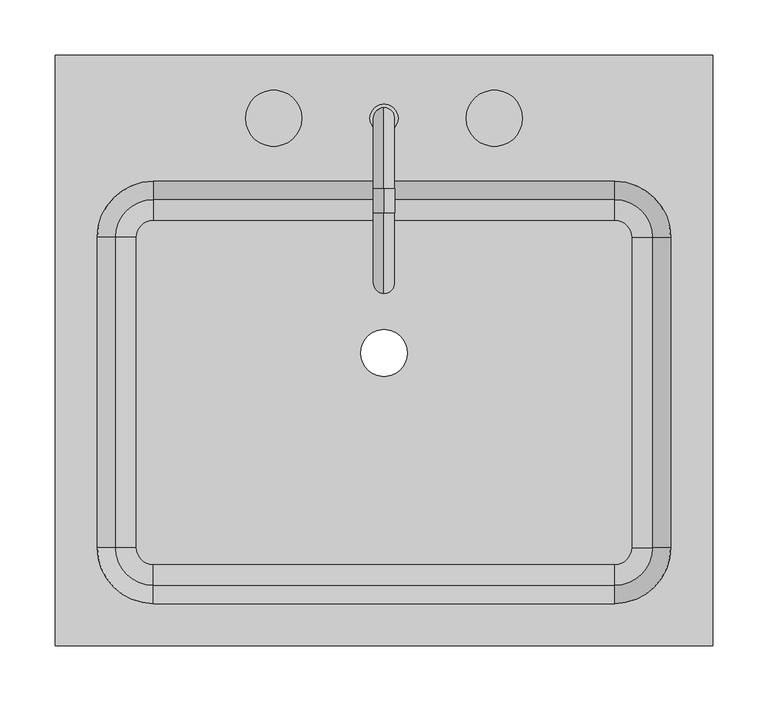
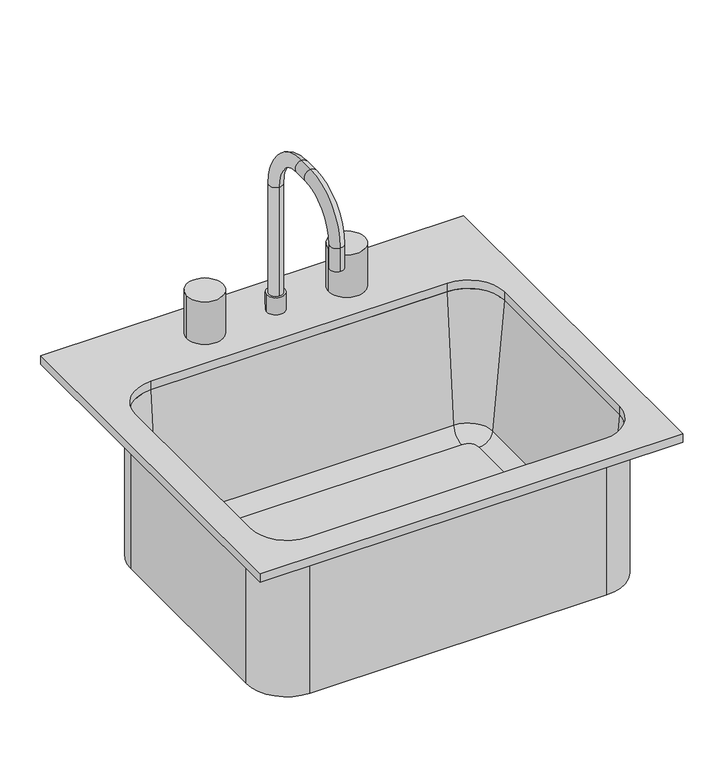
"""IFC4 building model written with IfcOpenShell, lengths in millimetres: flow terminal geometry."""

from ifc_helpers import new_model, si_unit, point, frame, frame_2d, origin, place, context, project, spatial, polyline, circle_curve, ellipse_curve, trimmed, segment, composite_curve, outline, extrude, source, transform, mapped, element, save
from ifc_brep_helpers import plane_surface, cylinder_surface, revolved_surface, advanced_brep


def flow_terminal_74ba01b1(model_context):
    return source(origin(), model_context, "Body", "SolidModel", [
        advanced_brep(
        [(281.9392406, 104.7454011, 684.1), (224.7892406, 161.8954011, 684.1), (224.7892406, 161.8954011, 900.0), (281.9392406, 104.7454011, 900.0), (281.9392406, -176.2545989, 684.1), (224.7892406, -233.4045989, 684.1), (-193.4107594, -233.4045989, 684.1), (-250.5607594, -176.2545989, 684.1), (-250.5607594, 104.7454011, 684.1), (-193.4107594, 161.8954011, 684.1), (-5.3107594, 0.0, 684.1), (36.6892406, 0.0, 684.1), (240.0776588, 104.7454011, 693.625), (224.7892406, 120.0338193, 693.625), (-193.4107594, 120.0338193, 693.625), (-208.6991776, 104.7454011, 693.625), (-208.6991776, -176.2545989, 693.625), (-193.4107594, -191.5430171, 693.625), (224.7892406, -191.5430171, 693.625), (240.0776588, -176.2545989, 693.625), (-5.3107594, 0.0, 693.625), (36.6892406, 0.0, 693.625), (259.0551678, 104.7454011, 711.0146831), (224.7892406, 139.0113283, 711.0146831), (275.5892406, 104.7454011, 900.0), (224.7892406, 155.5454011, 900.0), (281.9392406, -176.2545989, 900.0), (259.0551678, -176.2545989, 711.0146831), (275.5892406, -176.2545989, 900.0), (224.7892406, -233.4045989, 900.0), (224.7892406, -210.5205261, 711.0146831), (224.7892406, -227.0545989, 900.0), (-193.4107594, -233.4045989, 900.0), (-193.4107594, -210.5205261, 711.0146831), (-193.4107594, -227.0545989, 900.0), (-250.5607594, -176.2545989, 900.0), (-227.6766866, -176.2545989, 711.0146831), (-244.2107594, -176.2545989, 900.0), (-250.5607594, 104.7454011, 900.0), (-227.6766866, 104.7454011, 711.0146831), (-244.2107594, 104.7454011, 900.0), (-193.4107594, 161.8954011, 900.0), (-193.4107594, 139.0113283, 711.0146831), (-193.4107594, 155.5454011, 900.0)],
        [
            (0, 1, circle_curve(frame((224.7892406, 104.7454011, 684.1), z_axis=(0.0, 0.0, 1.0), x_axis=(0.0, 1.0, 0.0)), 57.15)),
            (1, 2),
            (2, 3, circle_curve(frame((224.7892406, 104.7454011, 900.0), z_axis=(0.0, 0.0, -1.0), x_axis=(0.0, 1.0, 0.0)), 57.15)),
            (3, 0),
            (0, 4),
            (4, 5, circle_curve(frame((224.7892406, -176.2545989, 684.1), z_axis=(0.0, 0.0, -1.0), x_axis=(1.0, 0.0, 0.0)), 57.15)),
            (5, 6),
            (6, 7, circle_curve(frame((-193.4107594, -176.2545989, 684.1), z_axis=(0.0, 0.0, -1.0), x_axis=(0.0, -1.0, 0.0)), 57.15)),
            (7, 8),
            (8, 9, circle_curve(frame((-193.4107594, 104.7454011, 684.1), z_axis=(0.0, 0.0, -1.0), x_axis=(-1.0, 0.0, 0.0)), 57.15)),
            (9, 1),
            (10, 11, circle_curve(frame((15.6892406, 0.0, 684.1), z_axis=(0.0, 0.0, 1.0), x_axis=(1.0, 0.0, 0.0)), 21.0)),
            (11, 10, circle_curve(frame((15.6892406, 0.0, 684.1), z_axis=(0.0, 0.0, 1.0), x_axis=(1.0, 0.0, 0.0)), 21.0)),
            (12, 13, circle_curve(frame((224.7892406, 104.7454011, 693.625), z_axis=(0.0, 0.0, 1.0), x_axis=(0.0, 1.0, 0.0)), 15.2884182)),
            (13, 14),
            (14, 15, circle_curve(frame((-193.4107594, 104.7454011, 693.625), z_axis=(0.0, 0.0, 1.0), x_axis=(-1.0, 0.0, 0.0)), 15.2884182)),
            (15, 16),
            (16, 17, circle_curve(frame((-193.4107594, -176.2545989, 693.625), z_axis=(0.0, 0.0, 1.0), x_axis=(0.0, -1.0, 0.0)), 15.2884182)),
            (17, 18),
            (18, 19, circle_curve(frame((224.7892406, -176.2545989, 693.625), z_axis=(0.0, 0.0, 1.0), x_axis=(1.0, 0.0, 0.0)), 15.2884182)),
            (19, 12),
            (20, 21, circle_curve(frame((15.6892406, 0.0, 693.625), z_axis=(0.0, 0.0, -1.0), x_axis=(1.0, 0.0, 0.0)), 21.0)),
            (21, 20, circle_curve(frame((15.6892406, 0.0, 693.625), z_axis=(0.0, 0.0, -1.0), x_axis=(1.0, 0.0, 0.0)), 21.0)),
            (12, 22, circle_curve(frame((240.0776588, 104.7454011, 712.675), z_axis=(0.0, -1.0, 0.0), x_axis=(1.0, 0.0, 0.0)), 19.05)),
            (22, 23, circle_curve(frame((224.7892406, 104.7454011, 711.0146831), z_axis=(0.0, 0.0, 1.0), x_axis=(0.0, 1.0, 0.0)), 34.2659272)),
            (23, 13, circle_curve(frame((224.7892406, 120.0338193, 712.675), z_axis=(-1.0, 0.0, 0.0), x_axis=(0.0, 1.0, 0.0)), 19.05)),
            (22, 24),
            (24, 25, circle_curve(frame((224.7892406, 104.7454011, 900.0), z_axis=(0.0, 0.0, 1.0), x_axis=(0.0, 1.0, 0.0)), 50.8)),
            (25, 23),
            (2, 25),
            (24, 3),
            (3, 26),
            (26, 4),
            (19, 27, circle_curve(frame((240.0776588, -176.2545989, 712.675), z_axis=(0.0, -1.0, 0.0), x_axis=(1.0, 0.0, 0.0)), 19.05)),
            (27, 22),
            (27, 28),
            (28, 24),
            (28, 26),
            (26, 29, circle_curve(frame((224.7892406, -176.2545989, 900.0), z_axis=(0.0, 0.0, -1.0), x_axis=(1.0, 0.0, 0.0)), 57.15)),
            (29, 5),
            (18, 30, circle_curve(frame((224.7892406, -191.5430171, 712.675), z_axis=(-1.0, 0.0, 0.0), x_axis=(0.0, -1.0, 0.0)), 19.05)),
            (30, 27, circle_curve(frame((224.7892406, -176.2545989, 711.0146831), z_axis=(0.0, 0.0, 1.0), x_axis=(1.0, 0.0, 0.0)), 34.2659272)),
            (30, 31),
            (31, 28, circle_curve(frame((224.7892406, -176.2545989, 900.0), z_axis=(0.0, 0.0, 1.0), x_axis=(1.0, 0.0, 0.0)), 50.8)),
            (31, 29),
            (29, 32),
            (32, 6),
            (17, 33, circle_curve(frame((-193.4107594, -191.5430171, 712.675), z_axis=(-1.0, 0.0, 0.0), x_axis=(0.0, -1.0, 0.0)), 19.05)),
            (33, 30),
            (33, 34),
            (34, 31),
            (34, 32),
            (32, 35, circle_curve(frame((-193.4107594, -176.2545989, 900.0), z_axis=(0.0, 0.0, -1.0), x_axis=(0.0, -1.0, 0.0)), 57.15)),
            (35, 7),
            (16, 36, circle_curve(frame((-208.6991776, -176.2545989, 712.675), z_axis=(0.0, 1.0, 0.0), x_axis=(-1.0, 0.0, 0.0)), 19.05)),
            (36, 33, circle_curve(frame((-193.4107594, -176.2545989, 711.0146831), z_axis=(0.0, 0.0, 1.0), x_axis=(0.0, -1.0, 0.0)), 34.2659272)),
            (36, 37),
            (37, 34, circle_curve(frame((-193.4107594, -176.2545989, 900.0), z_axis=(0.0, 0.0, 1.0), x_axis=(0.0, -1.0, 0.0)), 50.8)),
            (37, 35),
            (35, 38),
            (38, 8),
            (15, 39, circle_curve(frame((-208.6991776, 104.7454011, 712.675), z_axis=(0.0, 1.0, 0.0), x_axis=(-1.0, 0.0, 0.0)), 19.05)),
            (39, 36),
            (39, 40),
            (40, 37),
            (40, 38),
            (38, 41, circle_curve(frame((-193.4107594, 104.7454011, 900.0), z_axis=(0.0, 0.0, -1.0), x_axis=(-1.0, 0.0, 0.0)), 57.15)),
            (41, 9),
            (14, 42, circle_curve(frame((-193.4107594, 120.0338193, 712.675), z_axis=(1.0, 0.0, 0.0), x_axis=(0.0, 1.0, 0.0)), 19.05)),
            (42, 39, circle_curve(frame((-193.4107594, 104.7454011, 711.0146831), z_axis=(0.0, 0.0, 1.0), x_axis=(-1.0, 0.0, 0.0)), 34.2659272)),
            (42, 43),
            (43, 40, circle_curve(frame((-193.4107594, 104.7454011, 900.0), z_axis=(0.0, 0.0, 1.0), x_axis=(-1.0, 0.0, 0.0)), 50.8)),
            (43, 41),
            (41, 2),
            (23, 42),
            (25, 43),
            (20, 10),
            (11, 21),
        ],
        [
            cylinder_surface(frame((224.7892406, 104.7454011, 0.0), z_axis=(0.0, 0.0, -1.0), x_axis=(0.0, 1.0, 0.0)), 57.15),
            plane_surface(frame((224.7892406, 104.7454011, 684.1), z_axis=(0.0, 0.0, -1.0), x_axis=(0.0, 1.0, 0.0))),
            plane_surface(frame((224.7892406, 104.7454011, 693.625), z_axis=(0.0, 0.0, 1.0), x_axis=(0.0, 1.0, 0.0))),
            revolved_surface(trimmed(ellipse_curve(frame((224.7892406, 120.0338193, 712.675), z_axis=(1.0, 0.0, 0.0), x_axis=(0.0, 1.0, 0.0)), 19.05, 19.05), [point((224.7892406, 120.0338193, 693.625))], [point((224.7892406, 139.0113283, 711.0146831))], True, "CARTESIAN"), (224.7892406, 104.7454011, 0.0), (0.0, 0.0, -1.0)),
            revolved_surface(polyline([(224.7892406, 139.0113283, 711.0146831), (224.7892406, 155.5454011, 900.0)]), (224.7892406, 104.7454011, 0.0), (0.0, 0.0, -1.0)),
            plane_surface(frame((224.7892406, 104.7454011, 900.0), z_axis=(0.0, 0.0, 1.0), x_axis=(0.0, 1.0, 0.0))),
            plane_surface(frame((281.9392406, 104.7454011, 900.0), z_axis=(1.0, 0.0, 0.0), x_axis=(0.0, -1.0, 0.0))),
            revolved_surface(polyline([(259.1276588, -176.25459890000002, 712.675), (259.1276588, 104.7454011, 712.675)]), (240.0776588, 104.7454011, 712.675), (0.0, -1.0, 0.0)),
            plane_surface(frame((259.0551678, 104.7454011, 711.0146831), z_axis=(-0.9961946980917443, 0.0, 0.08715574274767235), x_axis=(0.0, -1.0, 0.0))),
            plane_surface(frame((275.5892406, 104.7454011, 900.0), z_axis=(0.0, 0.0, 1.0), x_axis=(0.0, -1.0, 0.0))),
            cylinder_surface(frame((224.7892406, -176.2545989, 0.0), z_axis=(0.0, 0.0, -1.0), x_axis=(1.0, 0.0, 0.0)), 57.15),
            revolved_surface(trimmed(ellipse_curve(frame((240.0776588, -176.2545989, 712.675), z_axis=(0.0, -1.0, 0.0), x_axis=(1.0, 0.0, 0.0)), 19.05, 19.05), [point((240.0776588, -176.2545989, 693.625))], [point((259.0551678, -176.2545989, 711.0146831))], True, "CARTESIAN"), (224.7892406, -176.2545989, 0.0), (0.0, 0.0, -1.0)),
            revolved_surface(polyline([(259.0551678, -176.2545989, 711.0146831), (275.5892406, -176.2545989, 900.0)]), (224.7892406, -176.2545989, 0.0), (0.0, 0.0, -1.0)),
            plane_surface(frame((224.7892406, -176.2545989, 900.0), z_axis=(0.0, 0.0, 1.0), x_axis=(1.0, 0.0, 0.0))),
            plane_surface(frame((224.7892406, -233.4045989, 900.0), z_axis=(0.0, -1.0, 0.0), x_axis=(-1.0, 0.0, 0.0))),
            revolved_surface(polyline([(-193.4107594, -210.5930171, 712.675), (224.7892406, -210.5930171, 712.675)]), (224.7892406, -191.5430171, 712.675), (-1.0, 0.0, 0.0)),
            plane_surface(frame((224.7892406, -210.5205261, 711.0146831), z_axis=(0.0, 0.9961946980917443, 0.08715574274767235), x_axis=(-1.0, 0.0, 0.0))),
            plane_surface(frame((224.7892406, -227.0545989, 900.0), z_axis=(0.0, 0.0, 1.0), x_axis=(-1.0, 0.0, 0.0))),
            cylinder_surface(frame((-193.4107594, -176.2545989, 0.0), z_axis=(0.0, 0.0, -1.0), x_axis=(0.0, -1.0, 0.0)), 57.15),
            revolved_surface(trimmed(ellipse_curve(frame((-193.4107594, -191.5430171, 712.675), z_axis=(-1.0, 0.0, 0.0), x_axis=(0.0, -1.0, 0.0)), 19.05, 19.05), [point((-193.4107594, -191.5430171, 693.625))], [point((-193.4107594, -210.5205261, 711.0146831))], True, "CARTESIAN"), (-193.4107594, -176.2545989, 0.0), (0.0, 0.0, -1.0)),
            revolved_surface(polyline([(-193.4107594, -210.5205261, 711.0146831), (-193.4107594, -227.0545989, 900.0)]), (-193.4107594, -176.2545989, 0.0), (0.0, 0.0, -1.0)),
            plane_surface(frame((-193.4107594, -176.2545989, 900.0), z_axis=(0.0, 0.0, 1.0), x_axis=(0.0, -1.0, 0.0))),
            plane_surface(frame((-250.5607594, -176.2545989, 900.0), z_axis=(-1.0, 0.0, 0.0), x_axis=(0.0, 1.0, 0.0))),
            revolved_surface(polyline([(-227.74917760000002, 104.74540110000001, 712.675), (-227.74917760000002, -176.2545989, 712.675)]), (-208.6991776, -176.2545989, 712.675), (0.0, 1.0, 0.0)),
            plane_surface(frame((-227.6766866, -176.2545989, 711.0146831), z_axis=(0.9961946980917443, 0.0, 0.08715574274767235), x_axis=(0.0, 1.0, 0.0))),
            plane_surface(frame((-244.2107594, -176.2545989, 900.0), z_axis=(0.0, 0.0, 1.0), x_axis=(0.0, 1.0, 0.0))),
            cylinder_surface(frame((-193.4107594, 104.7454011, 0.0), z_axis=(0.0, 0.0, -1.0), x_axis=(-1.0, 0.0, 0.0)), 57.15),
            revolved_surface(trimmed(ellipse_curve(frame((-208.6991776, 104.7454011, 712.675), z_axis=(0.0, 1.0, 0.0), x_axis=(-1.0, 0.0, 0.0)), 19.05, 19.05), [point((-208.6991776, 104.7454011, 693.625))], [point((-227.6766866, 104.7454011, 711.0146831))], True, "CARTESIAN"), (-193.4107594, 104.7454011, 0.0), (0.0, 0.0, -1.0)),
            revolved_surface(polyline([(-227.6766866, 104.7454011, 711.0146831), (-244.2107594, 104.7454011, 900.0)]), (-193.4107594, 104.7454011, 0.0), (0.0, 0.0, -1.0)),
            plane_surface(frame((-193.4107594, 104.7454011, 900.0), z_axis=(0.0, 0.0, 1.0), x_axis=(-1.0, 0.0, 0.0))),
            plane_surface(frame((-193.4107594, 161.8954011, 900.0), z_axis=(0.0, 1.0, 0.0), x_axis=(1.0, 0.0, 0.0))),
            revolved_surface(polyline([(224.7892406, 139.08381930000002, 712.675), (-193.4107594, 139.08381930000002, 712.675)]), (-193.4107594, 120.0338193, 712.675), (1.0, 0.0, 0.0)),
            plane_surface(frame((-193.4107594, 139.0113283, 711.0146831), z_axis=(0.0, -0.9961946980917443, 0.08715574274767235), x_axis=(1.0, 0.0, 0.0))),
            plane_surface(frame((-193.4107594, 155.5454011, 900.0), z_axis=(0.0, 0.0, 1.0), x_axis=(1.0, 0.0, 0.0))),
            revolved_surface(polyline([(36.6892406, 0.0, 684.1), (36.6892406, 0.0, 693.625)]), (15.6892406, 0.0, 0.0), (0.0, 0.0, -1.0)),
        ],
        [
            (0, [[1, 2, 3, 4]]),
            (1, [[-1, 5, 6, 7, 8, 9, 10, 11], [12, 13]]),
            (2, [[14, 15, 16, 17, 18, 19, 20, 21], [22, 23]]),
            (3, [[-14, 24, 25, 26]]),
            (4, [[-25, 27, 28, 29]]),
            (5, [[-3, 30, -28, 31]]),
            (6, [[-4, 32, 33, -5]]),
            (7, [[-24, -21, 34, 35]]),
            (8, [[-27, -35, 36, 37]]),
            (9, [[-31, -37, 38, -32]]),
            (10, [[-33, 39, 40, -6]]),
            (11, [[-34, -20, 41, 42]]),
            (12, [[-36, -42, 43, 44]]),
            (13, [[-38, -44, 45, -39]]),
            (14, [[-40, 46, 47, -7]]),
            (15, [[-41, -19, 48, 49]]),
            (16, [[-43, -49, 50, 51]]),
            (17, [[-45, -51, 52, -46]]),
            (18, [[-47, 53, 54, -8]]),
            (19, [[-48, -18, 55, 56]]),
            (20, [[-50, -56, 57, 58]]),
            (21, [[-52, -58, 59, -53]]),
            (22, [[-54, 60, 61, -9]]),
            (23, [[-55, -17, 62, 63]]),
            (24, [[-57, -63, 64, 65]]),
            (25, [[-59, -65, 66, -60]]),
            (26, [[-61, 67, 68, -10]]),
            (27, [[-62, -16, 69, 70]]),
            (28, [[-64, -70, 71, 72]]),
            (29, [[-66, -72, 73, -67]]),
            (30, [[-2, -11, -68, 74]]),
            (31, [[-26, 75, -69, -15]]),
            (32, [[-29, 76, -71, -75]]),
            (33, [[-30, -74, -73, -76]]),
            (34, [[-22, 77, -13, 78]]),
            (34, [[-23, -78, -12, -77]]),
        ],
    ),
        advanced_brep(
        [(2.9892406, 212.6954011, 938.1), (28.3892406, 212.6954011, 938.1), (15.6892406, 222.2204011, 938.1), (15.6892406, 203.1704011, 938.1), (2.9892406, 212.6954011, 912.7), (28.3892406, 212.6954011, 912.7), (15.6892406, 222.2204011, 1100.025), (15.6892406, 203.1704011, 1100.025), (15.6892406, 149.1954011, 1173.05), (15.6892406, 149.1954011, 1154.0), (15.6892406, 126.9704011, 1173.05), (15.6892406, 126.9704011, 1154.0), (15.6892406, 53.9454011, 1100.025), (15.6892406, 72.9954011, 1100.025), (15.6892406, 53.9454011, 1065.1), (15.6892406, 72.9954011, 1065.1)],
        [
            (0, 1, circle_curve(frame((15.6892406, 212.6954011, 938.1), z_axis=(0.0, 0.0, 1.0), x_axis=(1.0, 0.0, 0.0)), 12.7)),
            (1, 0, circle_curve(frame((15.6892406, 212.6954011, 938.1), z_axis=(0.0, 0.0, 1.0), x_axis=(1.0, 0.0, 0.0)), 12.7)),
            (2, 3, circle_curve(frame((15.6892406, 212.6954011, 938.1), z_axis=(0.0, 0.0, -1.0), x_axis=(0.0, -1.0, 0.0)), 9.525)),
            (3, 2, circle_curve(frame((15.6892406, 212.6954011, 938.1), z_axis=(0.0, 0.0, -1.0), x_axis=(0.0, -1.0, 0.0)), 9.525)),
            (4, 5, circle_curve(frame((15.6892406, 212.6954011, 912.7), z_axis=(0.0, 0.0, -1.0), x_axis=(1.0, 0.0, 0.0)), 12.7)),
            (5, 4, circle_curve(frame((15.6892406, 212.6954011, 912.7), z_axis=(0.0, 0.0, -1.0), x_axis=(1.0, 0.0, 0.0)), 12.7)),
            (0, 4),
            (5, 1),
            (6, 7, circle_curve(frame((15.6892406, 212.6954011, 1100.025), z_axis=(0.0, 0.0, -1.0), x_axis=(0.0, -1.0, 0.0)), 9.525)),
            (7, 3),
            (2, 6),
            (7, 6, circle_curve(frame((15.6892406, 212.6954011, 1100.025), z_axis=(0.0, 0.0, -1.0), x_axis=(0.0, -1.0, 0.0)), 9.525)),
            (6, 8, circle_curve(frame((15.6892406, 149.1954011, 1100.025), z_axis=(1.0, 0.0, 0.0), x_axis=(0.0, 1.0, 0.0)), 73.025)),
            (8, 9, circle_curve(frame((15.6892406, 149.1954011, 1163.525), z_axis=(0.0, 1.0, 0.0), x_axis=(0.0, 0.0, -1.0)), 9.525)),
            (9, 7, circle_curve(frame((15.6892406, 149.1954011, 1100.025), z_axis=(-1.0, 0.0, 0.0), x_axis=(0.0, 1.0, 0.0)), 53.975)),
            (9, 8, circle_curve(frame((15.6892406, 149.1954011, 1163.525), z_axis=(0.0, 1.0, 0.0), x_axis=(0.0, 0.0, -1.0)), 9.525)),
            (8, 10),
            (10, 11, circle_curve(frame((15.6892406, 126.9704011, 1163.525), z_axis=(0.0, 1.0, 0.0), x_axis=(0.0, 0.0, -1.0)), 9.525)),
            (11, 9),
            (11, 10, circle_curve(frame((15.6892406, 126.9704011, 1163.525), z_axis=(0.0, 1.0, 0.0), x_axis=(0.0, 0.0, -1.0)), 9.525)),
            (10, 12, circle_curve(frame((15.6892406, 126.9704011, 1100.025), z_axis=(1.0, 0.0, 0.0), x_axis=(0.0, 0.0, 1.0)), 73.025)),
            (12, 13, circle_curve(frame((15.6892406, 63.4704011, 1100.025), z_axis=(0.0, 0.0, 1.0), x_axis=(0.0, 1.0, 0.0)), 9.525)),
            (13, 11, circle_curve(frame((15.6892406, 126.9704011, 1100.025), z_axis=(-1.0, 0.0, 0.0), x_axis=(0.0, 0.0, 1.0)), 53.975)),
            (13, 12, circle_curve(frame((15.6892406, 63.4704011, 1100.025), z_axis=(0.0, 0.0, 1.0), x_axis=(0.0, 1.0, 0.0)), 9.525)),
            (14, 15, circle_curve(frame((15.6892406, 63.4704011, 1065.1), z_axis=(0.0, 0.0, -1.0), x_axis=(0.0, 1.0, 0.0)), 9.525)),
            (15, 14, circle_curve(frame((15.6892406, 63.4704011, 1065.1), z_axis=(0.0, 0.0, -1.0), x_axis=(0.0, 1.0, 0.0)), 9.525)),
            (12, 14),
            (15, 13),
        ],
        [
            plane_surface(frame((28.3892406, 212.6954011, 938.1), z_axis=(0.0, 0.0, 1.0), x_axis=(0.0, 1.0, 0.0))),
            plane_surface(frame((28.3892406, 212.6954011, 912.7), z_axis=(0.0, 0.0, -1.0), x_axis=(0.0, -1.0, 0.0))),
            cylinder_surface(frame((15.6892406, 212.6954011, 912.7), z_axis=(0.0, 0.0, 1.0), x_axis=(1.0, 0.0, 0.0)), 12.7),
            cylinder_surface(frame((15.6892406, 212.6954011, 912.7), z_axis=(0.0, 0.0, -1.0), x_axis=(0.0, -1.0, 0.0)), 9.525),
            revolved_surface(trimmed(ellipse_curve(frame((15.6892406, 212.6954011, 1100.025), z_axis=(0.0, 0.0, -1.0), x_axis=(0.0, -1.0, 0.0)), 9.525, 9.525), [point((15.6892406, 222.2204011, 1100.025))], [point((15.6892406, 203.1704011, 1100.025))], True, "CARTESIAN"), (15.6892406, 149.1954011, 1100.025), (1.0, 0.0, 0.0)),
            revolved_surface(trimmed(ellipse_curve(frame((15.6892406, 212.6954011, 1100.025), z_axis=(0.0, 0.0, -1.0), x_axis=(0.0, -1.0, 0.0)), 9.525, 9.525), [point((15.6892406, 203.1704011, 1100.025))], [point((15.6892406, 222.2204011, 1100.025))], True, "CARTESIAN"), (15.6892406, 149.1954011, 1100.025), (1.0, 0.0, 0.0)),
            cylinder_surface(frame((15.6892406, 149.1954011, 1163.525), z_axis=(0.0, 1.0, 0.0), x_axis=(0.0, 0.0, -1.0)), 9.525),
            revolved_surface(trimmed(ellipse_curve(frame((15.6892406, 126.9704011, 1163.525), z_axis=(0.0, 1.0, 0.0), x_axis=(0.0, 0.0, -1.0)), 9.525, 9.525), [point((15.6892406, 126.9704011, 1173.05))], [point((15.6892406, 126.9704011, 1154.0))], True, "CARTESIAN"), (15.6892406, 126.9704011, 1100.025), (1.0, 0.0, 0.0)),
            revolved_surface(trimmed(ellipse_curve(frame((15.6892406, 126.9704011, 1163.525), z_axis=(0.0, 1.0, 0.0), x_axis=(0.0, 0.0, -1.0)), 9.525, 9.525), [point((15.6892406, 126.9704011, 1154.0))], [point((15.6892406, 126.9704011, 1173.05))], True, "CARTESIAN"), (15.6892406, 126.9704011, 1100.025), (1.0, 0.0, 0.0)),
            plane_surface(frame((15.6892406, 53.9454011, 1065.1), z_axis=(0.0, 0.0, -1.0), x_axis=(-1.0, 0.0, 0.0))),
            cylinder_surface(frame((15.6892406, 63.4704011, 1100.025), z_axis=(0.0, 0.0, 1.0), x_axis=(0.0, 1.0, 0.0)), 9.525),
        ],
        [
            (0, [[1, 2], [3, 4]]),
            (1, [[5, 6]]),
            (2, [[-1, 7, -6, 8]]),
            (2, [[-2, -8, -5, -7]]),
            (3, [[9, 10, -3, 11]]),
            (3, [[12, -11, -4, -10]]),
            (4, [[-9, 13, 14, 15]]),
            (5, [[-12, -15, 16, -13]]),
            (6, [[-14, 17, 18, 19]]),
            (6, [[-16, -19, 20, -17]]),
            (7, [[-18, 21, 22, 23]]),
            (8, [[-20, -23, 24, -21]]),
            (9, [[25, 26]]),
            (10, [[-22, 27, -26, 28]]),
            (10, [[-24, -28, -25, -27]]),
        ],
    ),
        extrude(outline(composite_curve([segment(trimmed(circle_curve(frame_2d((-84.3107594, 212.6954011)), 25.4), [point((-109.7107594, 212.6954011))], [point((-58.9107594, 212.6954011))], False, "CARTESIAN"), True, "CONTINUOUS"), segment(trimmed(circle_curve(frame_2d((-84.3107594, 212.6954011)), 25.4), [point((-58.9107594, 212.6954011))], [point((-109.7107594, 212.6954011))], False, "CARTESIAN"), True, "CONTINUOUS")], self_intersect=False)), frame((0.0, 0.0, 912.7), z_axis=(0.0, 0.0, 1.0), x_axis=(1.0, 0.0, 0.0)), (0.0, 0.0, 1.0), 63.5),
        extrude(outline(composite_curve([segment(trimmed(circle_curve(frame_2d((115.6892406, 212.6954011)), 25.4), [point((90.2892406, 212.6954011))], [point((141.0892406, 212.6954011))], False, "CARTESIAN"), True, "CONTINUOUS"), segment(trimmed(circle_curve(frame_2d((115.6892406, 212.6954011)), 25.4), [point((141.0892406, 212.6954011))], [point((90.2892406, 212.6954011))], False, "CARTESIAN"), True, "CONTINUOUS")], self_intersect=False)), frame((0.0, 0.0, 912.7), z_axis=(0.0, 0.0, 1.0), x_axis=(1.0, 0.0, 0.0)), (0.0, 0.0, 1.0), 63.5),
        extrude(outline(polyline([(313.6892406, 269.8454011), (313.6892406, -265.1545989), (-282.3107594, -265.1545989), (-282.3107594, 269.8454011), (313.6892406, 269.8454011)]), holes=[composite_curve([segment(polyline([(224.7892406, 155.5454011), (-193.4107594, 155.5454011)]), True, "CONTINUOUS"), segment(trimmed(circle_curve(frame_2d((-193.4107594, 104.7454011)), 50.8), [point((-193.4107594, 155.5454011))], [point((-244.2107594, 104.7454011))], True, "CARTESIAN"), True, "CONTINUOUS"), segment(polyline([(-244.2107594, 104.7454011), (-244.2107594, -176.2545989)]), True, "CONTINUOUS"), segment(trimmed(circle_curve(frame_2d((-193.4107594, -176.2545989)), 50.8), [point((-244.2107594, -176.2545989))], [point((-193.4107594, -227.0545989))], True, "CARTESIAN"), True, "CONTINUOUS"), segment(polyline([(-193.4107594, -227.0545989), (224.7892406, -227.0545989)]), True, "CONTINUOUS"), segment(trimmed(circle_curve(frame_2d((224.7892406, -176.2545989)), 50.8), [point((224.7892406, -227.0545989))], [point((275.5892406, -176.2545989))], True, "CARTESIAN"), True, "CONTINUOUS"), segment(polyline([(275.5892406, -176.2545989), (275.5892406, 104.7454011)]), True, "CONTINUOUS"), segment(trimmed(circle_curve(frame_2d((224.7892406, 104.7454011)), 50.8), [point((275.5892406, 104.7454011))], [point((224.7892406, 155.5454011))], True, "CARTESIAN"), True, "CONTINUOUS")], self_intersect=False)]), frame((0.0, 0.0, 900.0), z_axis=(0.0, 0.0, 1.0), x_axis=(1.0, 0.0, 0.0)), (0.0, 0.0, 1.0), 12.7),
    ])


if __name__ == "__main__":
    model = new_model("IFC4")
    model_context = context("Model", 3, world=origin())
    ifc_project = project(units=[si_unit("LENGTHUNIT", "METRE", prefix="MILLI")], contexts=[model_context])
    site = spatial("IfcSite", under=ifc_project)
    building = spatial("IfcBuilding", under=site)
    placement = place(None, origin())
    flow_terminal_shape = flow_terminal_74ba01b1(model_context)
    element("IfcFlowTerminal", 1, at=placement, inside=building, context=model_context, shape_type="MappedRepresentation", body=[
        mapped(flow_terminal_shape, transform((0.0, 0.0, 0.0), x_axis=(1.0, 0.0, 0.0), y_axis=(0.0, 1.0, 0.0), z_axis=(0.0, 0.0, 1.0))),
    ])
    save(model, "model.ifc")
